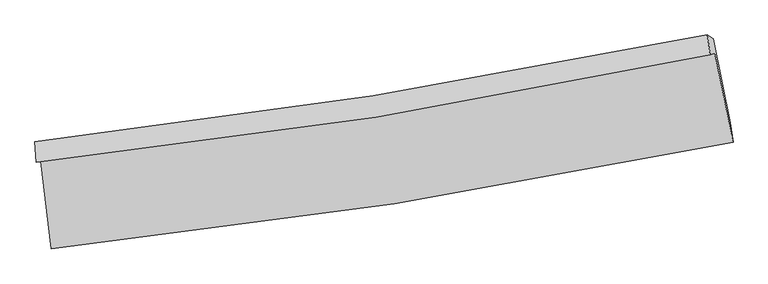
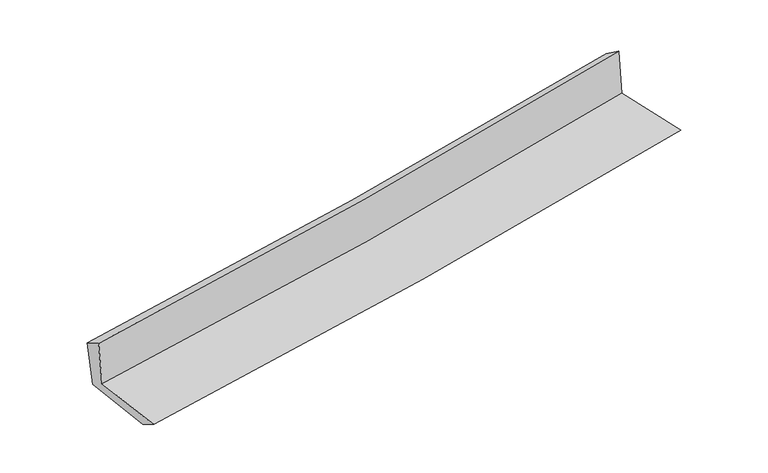
"""IFC4 building model written with IfcOpenShell, lengths in millimetres: proxy geometry."""

from ifc_helpers import new_model, si_unit, frame, origin, place, context, project, spatial, source, transform, mapped, element, save
from ifc_brep_helpers import plane_surface, spline_curve, spline_surface, advanced_brep


def generic_models_0a70676a(model_context):
    return source(origin(), model_context, "Body", "AdvancedBrep", [
        advanced_brep(
        [(-2550.3160058, -1883.5604637, 1650.2678992), (-2473.0633594, -2535.402224, 1640.1851558), (2626.8350517, -1740.5760865, 2111.237534), (2489.786967, -1073.7895491, 2101.3673433), (-2583.9750334, -1890.1962735, 2042.6007197), (2455.5492146, -1086.1221411, 2513.3790636), (-2594.45904, -1735.4497133, 1955.4948533), (2434.519947, -937.4660579, 2404.5069752), (-2558.47248, -1754.2931815, 1570.653311), (2476.7035271, -966.4227083, 1999.1604178), (-2483.0629271, -2386.866429, 1555.849986), (2606.4957256, -1594.0958563, 1999.6792619)],
        [
            (0, 1),
            (1, 2, spline_curve(3, [(-2473.0633594, -2535.402224, 1640.1851558), (-1615.711509884, -2445.914986026, 1731.205970513), (-760.750214739, -2334.666653234, 1816.072136837), (939.186825349, -2069.459740855, 1973.014684386), (1784.191667393, -1915.76602812, 2045.165977599), (2626.8350517, -1740.5760865, 2111.237534)], [4, 2, 4], [0.0, 8.48341252288712, 16.915038817191864])),
            (2, 3),
            (3, 0, spline_curve(3, [(2489.786967, -1073.7895491, 2101.3673433), (1658.910437137, -1249.50321922, 2030.67402945), (824.759523697, -1404.697381941, 1957.857361762), (-855.234455018, -1674.873852095, 1807.517043111), (-1701.117866069, -1789.603327262, 1729.967229742), (-2550.3160058, -1883.5604637, 1650.2678992)], [4, 2, 4], [0.0, 8.431626294304744, 16.915038817191864])),
            (4, 0),
            (3, 5),
            (5, 4, spline_curve(3, [(2455.5492146, -1086.1221411, 2513.3790636), (1624.407190611, -1262.719540111, 2445.839204172), (790.171055813, -1417.885090766, 2372.974208453), (-889.632235736, -1686.173874425, 2216.113707559), (-1735.237517248, -1799.033034908, 2132.052588839), (-2583.9750334, -1890.1962735, 2042.6007197)], [4, 2, 4], [0.0, 8.384236092278275, 16.819967347127573])),
            (6, 4),
            (5, 7),
            (7, 6, spline_curve(3, [(2434.519947, -937.4660579, 2404.5069752), (1604.707725079, -1107.154962616, 2336.797010553), (772.011926395, -1258.351254039, 2265.649463881), (-904.278872648, -1524.573663244, 2116.021112916), (-1747.909402715, -1639.371923434, 2037.497952182), (-2594.45904, -1735.4497133, 1955.4948533)], [4, 2, 4], [0.0, 8.37337019146978, 16.798168808204707])),
            (8, 6),
            (7, 9),
            (9, 8, spline_curve(3, [(2476.7035271, -966.4227083, 1999.1604178), (1645.763013473, -1131.60955517, 1928.486973432), (811.988080345, -1279.710313037, 1857.551455187), (-866.368997613, -1542.544330918, 1714.718982127), (-1710.986066995, -1657.067064038, 1642.818798058), (-2558.47248, -1754.2931815, 1570.653311)], [4, 2, 4], [0.0, 8.364065390933197, 16.779502057951696])),
            (10, 8),
            (9, 11),
            (11, 10, spline_curve(3, [(2606.4957256, -1594.0958563, 1999.6792619), (1766.092199224, -1762.250034143, 1922.813554327), (923.067093676, -1912.24484517, 1847.503384589), (-773.42015536, -2176.725453704, 1699.541125832), (-1626.914600789, -2290.987500317, 1626.908203824), (-2483.0629271, -2386.866429, 1555.849986)], [4, 2, 4], [0.0, 8.411727258402577, 16.875118527444535])),
            (1, 10),
            (11, 2),
        ],
        [
            spline_surface(3, 3, [[(-2550.3160058, -1883.5604637, 1650.2678992), (-1701.117865951, -1789.60332731, 1729.967229779), (-855.234455095, -1674.873851959, 1807.517043239), (824.759523774, -1404.697382076, 1957.857361634), (1658.910437158, -1249.50321921, 2030.674029547), (2489.786967, -1073.7895491, 2101.3673433)], [(-2524.565123668, -2100.841050478, 1646.906984739), (-1672.649080629, -2008.37388026, 1730.380143376), (-823.739708339, -1894.80478568, 1810.368741066), (862.90195766, -1626.28483502, 1962.909802582), (1700.670847193, -1471.590822175, 2035.504678947), (2535.469661879, -1296.051728252, 2104.657406885)], [(-2498.814241532, -2318.121637222, 1643.546070261), (-1644.180295303, -2227.144433176, 1730.793056955), (-792.244961581, -2114.73571943, 1813.220438905), (901.044391549, -1847.872287995, 1967.962243542), (1742.431257292, -1693.678425084, 2040.335328291), (2581.152356821, -1518.313907348, 2107.947470415)], [(-2473.0633594, -2535.402224, 1640.1851558), (-1615.711509981, -2445.914986125, 1731.205970552), (-760.750214825, -2334.66665315, 1816.072136732), (939.186825435, -2069.459740939, 1973.01468449), (1784.191667327, -1915.766028049, 2045.165977691), (2626.8350517, -1740.5760865, 2111.237534)]], [4, 4], [4, 2, 4], [0.0, 2.199948724990244], [0.0, 8.48341252288712, 16.915038817191864]),
            spline_surface(3, 3, [[(-2583.9750334, -1890.1962735, 2042.6007197), (-1735.237517169, -1799.033034783, 2132.052588744), (-889.632235861, -1686.173874558, 2216.113707598), (790.171055938, -1417.885090633, 2372.974208415), (1624.407190684, -1262.71954005, 2445.839204187), (2455.5492146, -1086.1221411, 2513.3790636)], [(-2572.755357548, -1887.9843369, 1911.823112846), (-1723.864300111, -1795.889798959, 1998.024135735), (-878.166308961, -1682.407200355, 2079.914819487), (801.700545195, -1413.489187777, 2234.601926164), (1635.908272867, -1258.314099774, 2307.450812612), (2466.961798759, -1082.011277104, 2376.041823472)], [(-2561.535681652, -1885.7724003, 1781.045506054), (-1712.49108301, -1792.746563135, 1863.995682788), (-866.700381995, -1678.640526163, 1943.71593135), (813.230034517, -1409.093284932, 2096.229643886), (1647.409354975, -1253.908659486, 2169.062421122), (2478.374382841, -1077.900413096, 2238.704583428)], [(-2550.3160058, -1883.5604637, 1650.2678992), (-1701.117865951, -1789.60332731, 1729.967229779), (-855.234455095, -1674.873851959, 1807.517043239), (824.759523774, -1404.697382076, 1957.857361634), (1658.910437158, -1249.50321921, 2030.674029547), (2489.786967, -1073.7895491, 2101.3673433)]], [4, 4], [4, 2, 4], [0.0, 1.3564952835142376], [0.0, 8.435731254849298, 16.819967347127573]),
            spline_surface(3, 3, [[(-2594.45904, -1735.4497133, 1955.4948533), (-1747.909402704, -1639.371923556, 2037.497952062), (-904.278872591, -1524.573663183, 2116.021112888), (772.011926339, -1258.351254099, 2265.64946391), (1604.707725213, -1107.154962716, 2336.797010419), (2434.519947, -937.4660579, 2404.5069752)], [(-2590.964371103, -1787.031900011, 1984.53014211), (-1743.685440829, -1692.592293943, 2069.0161643), (-899.396660349, -1578.440400312, 2149.385311121), (778.064969538, -1311.529199615, 2301.424378741), (1611.2742137, -1159.009821832, 2373.144408373), (2441.529702864, -987.018085638, 2440.797671365)], [(-2587.469702297, -1838.614086789, 2013.56543089), (-1739.461479044, -1745.812664397, 2100.534376507), (-894.514448104, -1632.307137429, 2182.749509365), (784.118012739, -1364.707145118, 2337.199293584), (1617.840702197, -1210.864680935, 2409.491806233), (2448.539458736, -1036.570113362, 2477.088367435)], [(-2583.9750334, -1890.1962735, 2042.6007197), (-1735.237517169, -1799.033034783, 2132.052588744), (-889.632235861, -1686.173874558, 2216.113707598), (790.171055938, -1417.885090633, 2372.974208415), (1624.407190684, -1262.71954005, 2445.839204187), (2455.5492146, -1086.1221411, 2513.3790636)]], [4, 4], [4, 2, 4], [0.0, 0.6294029545181006], [0.0, 8.424798616734927, 16.798168808204707]),
            spline_surface(3, 3, [[(-2558.47248, -1754.2931815, 1570.653311), (-1710.986066996, -1657.067063962, 1642.818798054), (-866.368997623, -1542.544330869, 1714.718982103), (811.988080355, -1279.710313086, 1857.551455211), (1645.76301337, -1131.609555088, 1928.486973443), (2476.7035271, -966.4227083, 1999.1604178)], [(-2570.468000021, -1748.012025445, 1698.933825092), (-1723.293845586, -1651.168683839, 1774.378516048), (-879.005622586, -1536.554108292, 1848.486359035), (798.662695709, -1272.590626742, 1993.584124781), (1632.077917314, -1123.458024275, 2064.590319083), (2462.64233373, -956.770491477, 2134.275936915)], [(-2582.463519979, -1741.730869355, 1827.214339208), (-1735.601624114, -1645.27030368, 1905.938234068), (-891.642247628, -1530.563885761, 1982.253735956), (785.337310985, -1265.470940443, 2129.61679434), (1618.392821269, -1115.30649353, 2200.693664778), (2448.58114037, -947.118274723, 2269.391456085)], [(-2594.45904, -1735.4497133, 1955.4948533), (-1747.909402704, -1639.371923556, 2037.497952062), (-904.278872591, -1524.573663183, 2116.021112888), (772.011926339, -1258.351254099, 2265.64946391), (1604.707725213, -1107.154962716, 2336.797010419), (2434.519947, -937.4660579, 2404.5069752)]], [4, 4], [4, 2, 4], [0.0, 1.3353768035829698], [0.0, 8.415436667018499, 16.779502057951696]),
            spline_surface(3, 3, [[(-2483.0629271, -2386.866429, 1555.849986), (-1626.914600743, -2290.987500396, 1626.908203854), (-773.420155377, -2176.725453796, 1699.541125935), (923.067093693, -1912.244845079, 1847.503384487), (1766.092199164, -1762.250034103, 1922.813554403), (2606.4957256, -1594.0958563, 1999.6792619)], [(-2508.199444713, -2176.00867983, 1560.784427665), (-1654.938422807, -2079.680688247, 1632.211735252), (-804.403102792, -1965.331746164, 1704.600411322), (886.040755914, -1701.400001091, 1850.852741392), (1725.982470544, -1552.036541103, 1924.70469409), (2563.231659411, -1384.871473638, 1999.506313873)], [(-2533.335962387, -1965.15093067, 1565.718869335), (-1682.962244932, -1868.373876111, 1637.515266656), (-835.386050208, -1753.938038502, 1709.659696716), (849.014418134, -1490.555157074, 1854.202098306), (1685.87274199, -1341.823048089, 1926.595833757), (2519.967593289, -1175.647090962, 1999.333365827)], [(-2558.47248, -1754.2931815, 1570.653311), (-1710.986066996, -1657.067063962, 1642.818798054), (-866.368997623, -1542.544330869, 1714.718982103), (811.988080355, -1279.710313086, 1857.551455211), (1645.76301337, -1131.609555088, 1928.486973443), (2476.7035271, -966.4227083, 1999.1604178)]], [4, 4], [4, 2, 4], [0.0, 2.105122195892724], [0.0, 8.463391269041958, 16.875118527444535]),
            spline_surface(3, 3, [[(-2473.0633594, -2535.402224, 1640.1851558), (-1615.711509981, -2445.914986125, 1731.205970552), (-760.750214825, -2334.66665315, 1816.072136732), (939.186825435, -2069.459740939, 1973.01468449), (1784.191667327, -1915.766028049, 2045.165977691), (2626.8350517, -1740.5760865, 2111.237534)], [(-2476.396548647, -2485.890292337, 1612.073432548), (-1619.445873582, -2394.272490885, 1696.440048334), (-764.973528345, -2282.019586714, 1777.228466464), (933.813581518, -2017.054775667, 1931.177584487), (1778.158511297, -1864.594030058, 2004.381836585), (2620.055276358, -1691.749343091, 2074.05144329)], [(-2479.729737853, -2436.378360663, 1583.961709252), (-1623.180237142, -2342.629995635, 1661.674126072), (-769.196841857, -2229.372520232, 1738.384796203), (928.440337609, -1964.64981035, 1889.34048449), (1772.125355193, -1813.422032094, 1963.597695509), (2613.275500942, -1642.922599709, 2036.86535261)], [(-2483.0629271, -2386.866429, 1555.849986), (-1626.914600743, -2290.987500396, 1626.908203854), (-773.420155377, -2176.725453796, 1699.541125935), (923.067093693, -1912.244845079, 1847.503384487), (1766.092199164, -1762.250034103, 1922.813554403), (2606.4957256, -1594.0958563, 1999.6792619)]], [4, 4], [4, 2, 4], [0.0, 0.6535201958361861], [0.0, 8.520318873351192, 16.988626226623676]),
            plane_surface(frame((2514.9817388, -1233.0787332, 2188.221766), z_axis=(0.9755458664487139, 0.20179840141351052, 0.0871072192288328), x_axis=(-0.10324863966471931, 0.0708743724978759, 0.9921272810130852))),
            plane_surface(frame((-2540.558141, -2030.9613808, 1735.8419875), z_axis=(-0.9894542459660214, -0.11592122206987882, -0.08684794421077673), x_axis=(-0.11767689465212852, 0.9929331581373788, 0.015358773921214375))),
        ],
        [
            (0, [[1, 2, 3, 4]]),
            (1, [[5, -4, 6, 7]]),
            (2, [[8, -7, 9, 10]]),
            (3, [[11, -10, 12, 13]]),
            (4, [[14, -13, 15, 16]]),
            (5, [[17, -16, 18, -2]]),
            (6, [[-12, -9, -6, -3, -18, -15]]),
            (7, [[-1, -5, -8, -11, -14, -17]]),
        ],
    ),
    ])


if __name__ == "__main__":
    model = new_model("IFC4")
    model_context = context("Model", 3, world=origin())
    ifc_project = project(units=[si_unit("LENGTHUNIT", "METRE", prefix="MILLI")], contexts=[model_context])
    site = spatial("IfcSite", under=ifc_project)
    building = spatial("IfcBuilding", under=site)
    placement = place(None, origin())
    generic_models_shape = generic_models_0a70676a(model_context)
    element("IfcBuildingElementProxy", 1, Name="Generic Models", at=placement, inside=building, context=model_context, shape_type="MappedRepresentation", body=[
        mapped(generic_models_shape, transform((0.0, 0.0, 0.0), x_axis=(1.0, 0.0, 0.0), y_axis=(0.0, 1.0, 0.0), z_axis=(0.0, 0.0, 1.0))),
    ])
    save(model, "model.ifc")
